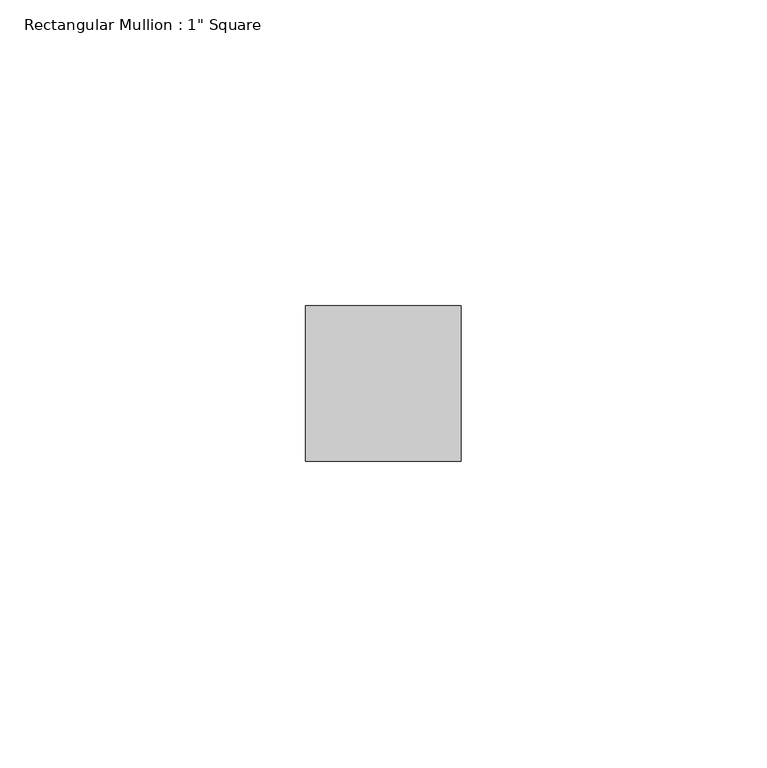
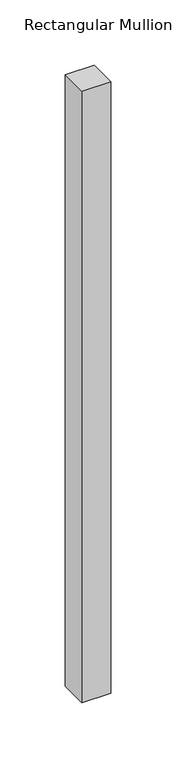
"""IFC4 building model written with IfcOpenShell, lengths in millimetres: member geometry."""

from ifc_helpers import new_model, si_unit, frame, origin, place, context, project, spatial, polyline, outline, extrude, source, transform, mapped, element, save


def member_436d6e1e(model_context):
    return source(origin(), model_context, "Body", "SweptSolid", [
        extrude(outline(polyline([(12.7, 12.7), (12.7, -12.7), (-12.7, -12.7), (-12.7, 12.7), (12.7, 12.7)])), frame((0.0, 0.0, -571.3260192), z_axis=(0.0, 0.0, 1.0), x_axis=(1.0, 0.0, 0.0)), (0.0, 0.0, 1.0), 571.3260192),
    ])


if __name__ == "__main__":
    model = new_model("IFC4")
    model_context = context("Model", 3, world=origin())
    ifc_project = project(units=[si_unit("LENGTHUNIT", "METRE", prefix="MILLI")], contexts=[model_context])
    site = spatial("IfcSite", under=ifc_project)
    building = spatial("IfcBuilding", under=site)
    placement = place(None, origin())
    member_shape = member_436d6e1e(model_context)
    element("IfcMember", 1, ObjectType="Rectangular Mullion : 1\" Square", at=placement, inside=building, context=model_context, shape_type="MappedRepresentation", body=[
        mapped(member_shape, transform((0.0, 0.0, 0.0), x_axis=(1.0, 0.0, 0.0), y_axis=(0.0, 1.0, 0.0), z_axis=(0.0, 0.0, 1.0))),
    ])
    save(model, "model.ifc")
